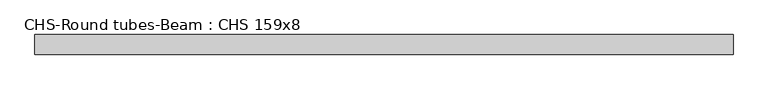
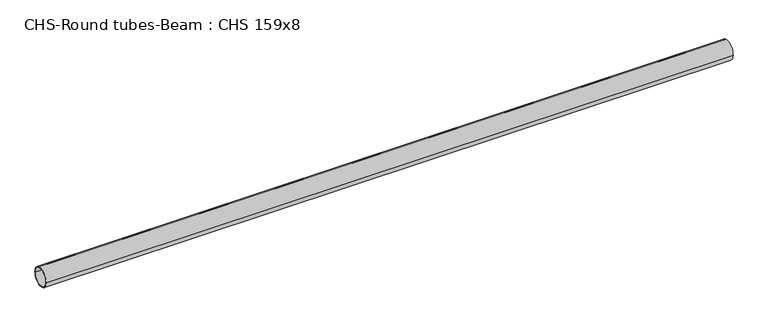
"""IFC4 building model written with IfcOpenShell, lengths in millimetres: beam geometry, CHS-Round tubes-Beam : CHS 159x8."""

import ifcopenshell
import ifcopenshell.guid

model = None  # the IFC model being written
_history = None  # IfcOwnerHistory: only IFC2X3 demands one
_inside = {}  # id of a spatial element -> (the spatial element, [elements in it])
_under = {}  # id of a project, library or spatial element -> (it, [spatial elements below it])
_declared = {}  # id of a project -> (the project, [libraries it declares])
_typed = {}  # id of a type object -> (the type object, [elements of that type])
_made_of = {}  # id of a material, layer set ... -> (it, [elements and type objects made of it])


def new_model(schema):
    """Start an empty IFC model of exactly this schema.

    Asked for "IFC4X3", IfcOpenShell would pick the latest addendum, in which some entities
    have other attributes; the version numbers below select the first issue.
    IFC2X3 requires an IfcOwnerHistory on every rooted entity: one is made here for all.
    """
    global model, _history
    if schema == "IFC4X3":
        model = ifcopenshell.file(schema_version=(4, 3, 0, 0))
    else:
        model = ifcopenshell.file(schema=schema)
    _inside.clear()
    _under.clear()
    _declared.clear()
    _typed.clear()
    _made_of.clear()
    _history = None
    if model.schema == "IFC2X3":
        org = make("IfcOrganization", Name="unknown")
        user = make(
            "IfcPersonAndOrganization",
            ThePerson=make("IfcPerson", FamilyName="unknown"),
            TheOrganization=org,
        )
        app = make(
            "IfcApplication",
            ApplicationDeveloper=org,
            Version="unknown",
            ApplicationFullName="unknown",
            ApplicationIdentifier="unknown",
        )
        _history = make(
            "IfcOwnerHistory",
            OwningUser=user,
            OwningApplication=app,
            ChangeAction="ADDED",
            CreationDate=0,
        )
    return model


def make(cls, **values):
    """One entity of the class cls with the attributes given. An attribute that is None is left unset."""
    return model.create_entity(
        cls, **{name: value for name, value in values.items() if value is not None}
    )


def rooted(cls, **values):
    """An entity with a GlobalId (a new one), such as an element, a storey or a relation."""
    return make(cls, GlobalId=ifcopenshell.guid.new(), OwnerHistory=_history, **values)


def si_unit(unit_type, name, prefix=None):
    """IfcSIUnit, for example si_unit("LENGTHUNIT", "METRE", prefix="MILLI")."""
    return make("IfcSIUnit", UnitType=unit_type, Prefix=prefix, Name=name)


def assignment(units):
    """IfcUnitAssignment: the units of a project."""
    return None if units is None else make("IfcUnitAssignment", Units=units)


def point(xyz):
    """IfcCartesianPoint."""
    return None if xyz is None else make("IfcCartesianPoint", Coordinates=xyz)


def direction(xyz):
    """IfcDirection."""
    return None if xyz is None else make("IfcDirection", DirectionRatios=xyz)


def frame(location, z_axis=None, x_axis=None):
    """IfcAxis2Placement3D, a coordinate frame: its origin and axes. An axis left out is left unset."""
    return make(
        "IfcAxis2Placement3D",
        Location=point(location),
        Axis=direction(z_axis),
        RefDirection=direction(x_axis),
    )


def frame_2d(location, x_axis=None):
    """IfcAxis2Placement2D, a coordinate frame in the plane: its origin and x axis."""
    return make(
        "IfcAxis2Placement2D", Location=point(location), RefDirection=direction(x_axis)
    )


def origin():
    """The frame at (0, 0, 0) with its axes left unset."""
    return frame((0.0, 0.0, 0.0))


def origin_2d():
    """The frame at (0, 0) in the plane with its x axis left unset."""
    return frame_2d((0.0, 0.0))


def place(relative_to, where):
    """IfcLocalPlacement: puts the frame where relative to a parent placement (None: the world)."""
    return make(
        "IfcLocalPlacement", PlacementRelTo=relative_to, RelativePlacement=where
    )


def context(
    kind, dimensions, precision=None, world=None, true_north=None, identifier=None
):
    """IfcGeometricRepresentationContext, for example the 3D "Model" context."""
    return make(
        "IfcGeometricRepresentationContext",
        ContextIdentifier=identifier,
        ContextType=kind,
        CoordinateSpaceDimension=dimensions,
        Precision=precision,
        WorldCoordinateSystem=world,
        TrueNorth=true_north,
    )


def project(units=None, contexts=None):
    """IfcProject with its units and contexts."""
    return rooted(
        "IfcProject",
        Name="project",
        RepresentationContexts=contexts,
        UnitsInContext=assignment(units),
    )


def spatial(cls, under=None, at=None, **own):
    """A site, building, storey or space (cls), placed at a placement, below another one or the project."""
    s = rooted(cls, ObjectPlacement=at, **own)
    if under is not None:
        _under.setdefault(under.id(), (under, []))[1].append(s)
    return s


def circle_curve(where, radius):
    """IfcCircle in the frame where."""
    return make("IfcCircle", Position=where, Radius=radius)


def trimmed(basis, trim1, trim2, sense, master):
    """IfcTrimmedCurve: the piece of a basis curve between two trims."""
    return make(
        "IfcTrimmedCurve",
        BasisCurve=basis,
        Trim1=trim1,
        Trim2=trim2,
        SenseAgreement=sense,
        MasterRepresentation=master,
    )


def segment(curve, same_sense, transition):
    """IfcCompositeCurveSegment."""
    return make(
        "IfcCompositeCurveSegment",
        Transition=transition,
        SameSense=same_sense,
        ParentCurve=curve,
    )


def composite_curve(segments, self_intersect=None):
    """IfcCompositeCurve: segments joined end to end."""
    return make("IfcCompositeCurve", Segments=segments, SelfIntersect=self_intersect)


def outline(outer, holes=None, kind="AREA"):
    """IfcArbitraryClosedProfileDef: a profile drawn as a closed curve; with holes, ...WithVoids."""
    if holes is None:
        return make("IfcArbitraryClosedProfileDef", ProfileType=kind, OuterCurve=outer)
    return make(
        "IfcArbitraryProfileDefWithVoids",
        ProfileType=kind,
        OuterCurve=outer,
        InnerCurves=holes,
    )


def extrude(swept, where, along, depth):
    """IfcExtrudedAreaSolid: the profile swept, set in the frame where, extruded along a direction by depth."""
    return make(
        "IfcExtrudedAreaSolid",
        SweptArea=swept,
        Position=where,
        ExtrudedDirection=direction(along),
        Depth=depth,
    )


def shape(context_of_items, identifier, shape_type, items):
    """IfcShapeRepresentation: the items that make up one representation, for example the "Body"."""
    return make(
        "IfcShapeRepresentation",
        ContextOfItems=context_of_items,
        RepresentationIdentifier=identifier,
        RepresentationType=shape_type,
        Items=items,
    )


def source(mapping_origin, context_of_items, identifier, shape_type, items):
    """IfcRepresentationMap: a shape defined once, which mapped items show again and again."""
    return make(
        "IfcRepresentationMap",
        MappingOrigin=mapping_origin,
        MappedRepresentation=shape(context_of_items, identifier, shape_type, items),
    )


def transform(
    local_origin,
    x_axis=None,
    y_axis=None,
    z_axis=None,
    scale=None,
    scale2=None,
    scale3=None,
    uniform=True,
):
    """IfcCartesianTransformationOperator3D, or its non-uniform kind. x_axis, y_axis, z_axis: its Axis1, 2, 3."""
    if uniform:
        return make(
            "IfcCartesianTransformationOperator3D",
            Axis1=direction(x_axis),
            Axis2=direction(y_axis),
            LocalOrigin=point(local_origin),
            Scale=scale,
            Axis3=direction(z_axis),
        )
    return make(
        "IfcCartesianTransformationOperator3DnonUniform",
        Axis1=direction(x_axis),
        Axis2=direction(y_axis),
        LocalOrigin=point(local_origin),
        Scale=scale,
        Axis3=direction(z_axis),
        Scale2=scale2,
        Scale3=scale3,
    )


def mapped(mapping_source, mapping_target):
    """IfcMappedItem: shows the shape of a source again, moved by a transform."""
    return make(
        "IfcMappedItem", MappingSource=mapping_source, MappingTarget=mapping_target
    )


def made_of(thing, what):
    """Note that an element or type object is made of a material, layer set ...; save() writes the relation."""
    if what is not None:
        _made_of.setdefault(what.id(), (what, []))[1].append(thing)
    return thing


def element(
    cls,
    number,
    at=None,
    inside=None,
    cuts=None,
    type_object=None,
    material=None,
    context=None,
    identifier="Body",
    shape_type=None,
    held_by="IfcProductDefinitionShape",
    body=None,
    shapes=None,
    **own,
):
    """One element of the class cls, such as IfcWall. Its Tag is "e" and its number.

    at: its placement. inside: the storey or other place that contains it. cuts: it is an
    opening in that element (IfcRelVoidsElement). A single representation is given by context,
    identifier, shape_type and body (its items); several are given by shapes. held_by: the class
    of the entity that holds the representations. save() writes the other relations.
    """
    e = rooted(cls, Tag="e%d" % number, ObjectPlacement=at, **own)
    if body is not None:
        shapes = [shape(context, identifier, shape_type, body)]
    if shapes is not None:
        e.Representation = make(held_by, Representations=shapes)
    if inside is not None:
        _inside.setdefault(inside.id(), (inside, []))[1].append(e)
    if cuts is not None:
        rooted(
            "IfcRelVoidsElement", RelatingBuildingElement=cuts, RelatedOpeningElement=e
        )
    if type_object is not None:
        _typed.setdefault(type_object.id(), (type_object, []))[1].append(e)
    return made_of(e, material)


def aggregate(whole, parts):
    """IfcRelAggregates: a whole, such as a stair, and the parts it consists of."""
    return rooted("IfcRelAggregates", RelatingObject=whole, RelatedObjects=parts)


def save(model, path):
    """Write the relations noted so far, then the file.

    IfcRelAggregates (storeys below a building ...), IfcRelContainedInSpatialStructure (elements
    in a storey), IfcRelDefinesByType, IfcRelAssociatesMaterial and IfcRelDeclares: one each for
    every whole, place, type object, material and project.
    """
    for whole, parts in _under.values():
        aggregate(whole, parts)
    for where, things in _inside.values():
        rooted(
            "IfcRelContainedInSpatialStructure",
            RelatedElements=things,
            RelatingStructure=where,
        )
    for kind, things in _typed.values():
        rooted("IfcRelDefinesByType", RelatedObjects=things, RelatingType=kind)
    for what, things in _made_of.values():
        rooted("IfcRelAssociatesMaterial", RelatedObjects=things, RelatingMaterial=what)
    for by, libraries in _declared.values():
        rooted("IfcRelDeclares", RelatingContext=by, RelatedDefinitions=libraries)
    model.write(path)


def chs_round_tubes_beam_chs_159x8_03879d3d(model_context):
    return source(origin(), model_context, "Body", "SweptSolid", [
        extrude(outline(composite_curve([segment(trimmed(circle_curve(origin_2d(), 79.5), [point((79.5, 0.0))], [point((-79.5, 0.0))], False, "CARTESIAN"), True, "CONTINUOUS"), segment(trimmed(circle_curve(origin_2d(), 79.5), [point((-79.5, 0.0))], [point((79.5, 0.0))], False, "CARTESIAN"), True, "CONTINUOUS")], self_intersect=False), holes=[composite_curve([segment(trimmed(circle_curve(origin_2d(), 71.5), [point((71.5, 0.0))], [point((-71.5, 0.0))], True, "CARTESIAN"), True, "CONTINUOUS"), segment(trimmed(circle_curve(origin_2d(), 71.5), [point((-71.5, 0.0))], [point((71.5, 0.0))], True, "CARTESIAN"), True, "CONTINUOUS")], self_intersect=False)]), frame((-2949.5806156, 0.0, 0.0), z_axis=(1.0, 0.0, 0.0), x_axis=(0.0, 1.0, 0.0)), (0.0, 0.0, 1.0), 5658.7617393),
    ])


if __name__ == "__main__":
    model = new_model("IFC4")
    model_context = context("Model", 3, world=origin())
    ifc_project = project(units=[si_unit("LENGTHUNIT", "METRE", prefix="MILLI")], contexts=[model_context])
    site = spatial("IfcSite", under=ifc_project)
    building = spatial("IfcBuilding", under=site)
    placement = place(None, origin())
    chs_round_tubes_beam_chs_159x8_shape = chs_round_tubes_beam_chs_159x8_03879d3d(model_context)
    element("IfcBeam", 1, ObjectType="CHS-Round tubes-Beam : CHS 159x8", at=placement, inside=building, context=model_context, shape_type="MappedRepresentation", body=[
        mapped(chs_round_tubes_beam_chs_159x8_shape, transform((0.0, 0.0, 0.0), x_axis=(1.0, 0.0, 0.0), y_axis=(0.0, 1.0, 0.0), z_axis=(0.0, 0.0, 1.0))),
    ])
    save(model, "model.ifc")
